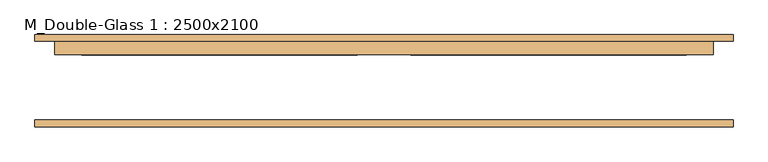
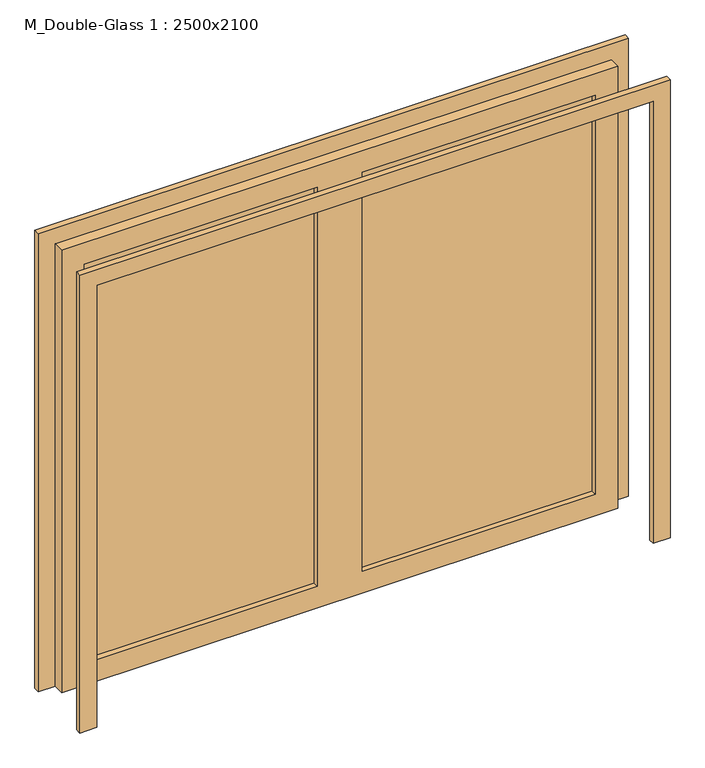
"""IFC4 building model written with IfcOpenShell, lengths in millimetres: door geometry, M_Double-Glass 1 : 2500x2100."""

import ifcopenshell
import ifcopenshell.guid

model = None  # the IFC model being written
_history = None  # IfcOwnerHistory: only IFC2X3 demands one
_inside = {}  # id of a spatial element -> (the spatial element, [elements in it])
_under = {}  # id of a project, library or spatial element -> (it, [spatial elements below it])
_declared = {}  # id of a project -> (the project, [libraries it declares])
_typed = {}  # id of a type object -> (the type object, [elements of that type])
_made_of = {}  # id of a material, layer set ... -> (it, [elements and type objects made of it])


def new_model(schema):
    """Start an empty IFC model of exactly this schema.

    Asked for "IFC4X3", IfcOpenShell would pick the latest addendum, in which some entities
    have other attributes; the version numbers below select the first issue.
    IFC2X3 requires an IfcOwnerHistory on every rooted entity: one is made here for all.
    """
    global model, _history
    if schema == "IFC4X3":
        model = ifcopenshell.file(schema_version=(4, 3, 0, 0))
    else:
        model = ifcopenshell.file(schema=schema)
    _inside.clear()
    _under.clear()
    _declared.clear()
    _typed.clear()
    _made_of.clear()
    _history = None
    if model.schema == "IFC2X3":
        org = make("IfcOrganization", Name="unknown")
        user = make(
            "IfcPersonAndOrganization",
            ThePerson=make("IfcPerson", FamilyName="unknown"),
            TheOrganization=org,
        )
        app = make(
            "IfcApplication",
            ApplicationDeveloper=org,
            Version="unknown",
            ApplicationFullName="unknown",
            ApplicationIdentifier="unknown",
        )
        _history = make(
            "IfcOwnerHistory",
            OwningUser=user,
            OwningApplication=app,
            ChangeAction="ADDED",
            CreationDate=0,
        )
    return model


def make(cls, **values):
    """One entity of the class cls with the attributes given. An attribute that is None is left unset."""
    return model.create_entity(
        cls, **{name: value for name, value in values.items() if value is not None}
    )


def rooted(cls, **values):
    """An entity with a GlobalId (a new one), such as an element, a storey or a relation."""
    return make(cls, GlobalId=ifcopenshell.guid.new(), OwnerHistory=_history, **values)


def si_unit(unit_type, name, prefix=None):
    """IfcSIUnit, for example si_unit("LENGTHUNIT", "METRE", prefix="MILLI")."""
    return make("IfcSIUnit", UnitType=unit_type, Prefix=prefix, Name=name)


def assignment(units):
    """IfcUnitAssignment: the units of a project."""
    return None if units is None else make("IfcUnitAssignment", Units=units)


def point(xyz):
    """IfcCartesianPoint."""
    return None if xyz is None else make("IfcCartesianPoint", Coordinates=xyz)


def direction(xyz):
    """IfcDirection."""
    return None if xyz is None else make("IfcDirection", DirectionRatios=xyz)


def frame(location, z_axis=None, x_axis=None):
    """IfcAxis2Placement3D, a coordinate frame: its origin and axes. An axis left out is left unset."""
    return make(
        "IfcAxis2Placement3D",
        Location=point(location),
        Axis=direction(z_axis),
        RefDirection=direction(x_axis),
    )


def origin():
    """The frame at (0, 0, 0) with its axes left unset."""
    return frame((0.0, 0.0, 0.0))


def place(relative_to, where):
    """IfcLocalPlacement: puts the frame where relative to a parent placement (None: the world)."""
    return make(
        "IfcLocalPlacement", PlacementRelTo=relative_to, RelativePlacement=where
    )


def context(
    kind, dimensions, precision=None, world=None, true_north=None, identifier=None
):
    """IfcGeometricRepresentationContext, for example the 3D "Model" context."""
    return make(
        "IfcGeometricRepresentationContext",
        ContextIdentifier=identifier,
        ContextType=kind,
        CoordinateSpaceDimension=dimensions,
        Precision=precision,
        WorldCoordinateSystem=world,
        TrueNorth=true_north,
    )


def project(units=None, contexts=None):
    """IfcProject with its units and contexts."""
    return rooted(
        "IfcProject",
        Name="project",
        RepresentationContexts=contexts,
        UnitsInContext=assignment(units),
    )


def spatial(cls, under=None, at=None, **own):
    """A site, building, storey or space (cls), placed at a placement, below another one or the project."""
    s = rooted(cls, ObjectPlacement=at, **own)
    if under is not None:
        _under.setdefault(under.id(), (under, []))[1].append(s)
    return s


def polyline(points):
    """IfcPolyline through the points."""
    return make("IfcPolyline", Points=[point(p) for p in points])


def outline(outer, holes=None, kind="AREA"):
    """IfcArbitraryClosedProfileDef: a profile drawn as a closed curve; with holes, ...WithVoids."""
    if holes is None:
        return make("IfcArbitraryClosedProfileDef", ProfileType=kind, OuterCurve=outer)
    return make(
        "IfcArbitraryProfileDefWithVoids",
        ProfileType=kind,
        OuterCurve=outer,
        InnerCurves=holes,
    )


def extrude(swept, where, along, depth):
    """IfcExtrudedAreaSolid: the profile swept, set in the frame where, extruded along a direction by depth."""
    return make(
        "IfcExtrudedAreaSolid",
        SweptArea=swept,
        Position=where,
        ExtrudedDirection=direction(along),
        Depth=depth,
    )


def shape(context_of_items, identifier, shape_type, items):
    """IfcShapeRepresentation: the items that make up one representation, for example the "Body"."""
    return make(
        "IfcShapeRepresentation",
        ContextOfItems=context_of_items,
        RepresentationIdentifier=identifier,
        RepresentationType=shape_type,
        Items=items,
    )


def source(mapping_origin, context_of_items, identifier, shape_type, items):
    """IfcRepresentationMap: a shape defined once, which mapped items show again and again."""
    return make(
        "IfcRepresentationMap",
        MappingOrigin=mapping_origin,
        MappedRepresentation=shape(context_of_items, identifier, shape_type, items),
    )


def transform(
    local_origin,
    x_axis=None,
    y_axis=None,
    z_axis=None,
    scale=None,
    scale2=None,
    scale3=None,
    uniform=True,
):
    """IfcCartesianTransformationOperator3D, or its non-uniform kind. x_axis, y_axis, z_axis: its Axis1, 2, 3."""
    if uniform:
        return make(
            "IfcCartesianTransformationOperator3D",
            Axis1=direction(x_axis),
            Axis2=direction(y_axis),
            LocalOrigin=point(local_origin),
            Scale=scale,
            Axis3=direction(z_axis),
        )
    return make(
        "IfcCartesianTransformationOperator3DnonUniform",
        Axis1=direction(x_axis),
        Axis2=direction(y_axis),
        LocalOrigin=point(local_origin),
        Scale=scale,
        Axis3=direction(z_axis),
        Scale2=scale2,
        Scale3=scale3,
    )


def mapped(mapping_source, mapping_target):
    """IfcMappedItem: shows the shape of a source again, moved by a transform."""
    return make(
        "IfcMappedItem", MappingSource=mapping_source, MappingTarget=mapping_target
    )


def made_of(thing, what):
    """Note that an element or type object is made of a material, layer set ...; save() writes the relation."""
    if what is not None:
        _made_of.setdefault(what.id(), (what, []))[1].append(thing)
    return thing


def element(
    cls,
    number,
    at=None,
    inside=None,
    cuts=None,
    type_object=None,
    material=None,
    context=None,
    identifier="Body",
    shape_type=None,
    held_by="IfcProductDefinitionShape",
    body=None,
    shapes=None,
    **own,
):
    """One element of the class cls, such as IfcWall. Its Tag is "e" and its number.

    at: its placement. inside: the storey or other place that contains it. cuts: it is an
    opening in that element (IfcRelVoidsElement). A single representation is given by context,
    identifier, shape_type and body (its items); several are given by shapes. held_by: the class
    of the entity that holds the representations. save() writes the other relations.
    """
    e = rooted(cls, Tag="e%d" % number, ObjectPlacement=at, **own)
    if body is not None:
        shapes = [shape(context, identifier, shape_type, body)]
    if shapes is not None:
        e.Representation = make(held_by, Representations=shapes)
    if inside is not None:
        _inside.setdefault(inside.id(), (inside, []))[1].append(e)
    if cuts is not None:
        rooted(
            "IfcRelVoidsElement", RelatingBuildingElement=cuts, RelatedOpeningElement=e
        )
    if type_object is not None:
        _typed.setdefault(type_object.id(), (type_object, []))[1].append(e)
    return made_of(e, material)


def aggregate(whole, parts):
    """IfcRelAggregates: a whole, such as a stair, and the parts it consists of."""
    return rooted("IfcRelAggregates", RelatingObject=whole, RelatedObjects=parts)


def save(model, path):
    """Write the relations noted so far, then the file.

    IfcRelAggregates (storeys below a building ...), IfcRelContainedInSpatialStructure (elements
    in a storey), IfcRelDefinesByType, IfcRelAssociatesMaterial and IfcRelDeclares: one each for
    every whole, place, type object, material and project.
    """
    for whole, parts in _under.values():
        aggregate(whole, parts)
    for where, things in _inside.values():
        rooted(
            "IfcRelContainedInSpatialStructure",
            RelatedElements=things,
            RelatingStructure=where,
        )
    for kind, things in _typed.values():
        rooted("IfcRelDefinesByType", RelatedObjects=things, RelatingType=kind)
    for what, things in _made_of.values():
        rooted("IfcRelAssociatesMaterial", RelatedObjects=things, RelatingMaterial=what)
    for by, libraries in _declared.values():
        rooted("IfcRelDeclares", RelatingContext=by, RelatedDefinitions=libraries)
    model.write(path)


def m_double_glass_1_2500x2100_0cdf45d1(model_context):
    return source(origin(), model_context, "Body", "SweptSolid", [
        extrude(outline(polyline([(0.0, 1326.0), (2176.0, 1326.0), (2176.0, -1326.0), (0.0, -1326.0), (0.0, -1250.0), (2100.0, -1250.0), (2100.0, 1250.0), (0.0, 1250.0), (0.0, 1326.0)])), frame((0.0, -172.61875, 0.0), z_axis=(0.0, 1.0, 0.0), x_axis=(0.0, 0.0, 1.0)), (0.0, 0.0, 1.0), 25.0),
        extrude(outline(polyline([(2100.0, 1250.0), (0.0, 1250.0), (0.0, 1326.0), (2176.0, 1326.0), (2176.0, -1326.0), (0.0, -1326.0), (0.0, -1250.0), (2100.0, -1250.0), (2100.0, 1250.0)])), frame((0.0, 152.38125, 0.0), z_axis=(0.0, 1.0, 0.0), x_axis=(0.0, 0.0, 1.0)), (0.0, 0.0, 1.0), 25.0),
        extrude(outline(polyline([(1148.4, 126.98125), (101.6, 126.98125), (101.6, 134.125), (1148.4, 134.125), (1148.4, 126.98125)])), frame((0.0, 0.0, 102.0), z_axis=(0.0, 0.0, 1.0), x_axis=(1.0, 0.0, 0.0)), (0.0, 0.0, 1.0), 1896.0),
        extrude(outline(polyline([(-101.6, 126.98125), (-1148.4, 126.98125), (-1148.4, 134.125), (-101.6, 134.125), (-101.6, 126.98125)])), frame((0.0, 0.0, 102.0), z_axis=(0.0, 0.0, 1.0), x_axis=(1.0, 0.0, 0.0)), (0.0, 0.0, 1.0), 1896.0),
        extrude(outline(polyline([(2100.0, 1250.0), (2100.0, -1250.0), (0.0, -1250.0), (0.0, 1250.0), (2100.0, 1250.0)]), holes=[polyline([(1998.0, -101.6), (102.0, -101.6), (102.0, -1148.4), (1998.0, -1148.4), (1998.0, -101.6)]), polyline([(1998.0, 1148.4), (102.0, 1148.4), (102.0, 101.6), (1998.0, 101.6), (1998.0, 1148.4)])]), frame((0.0, 101.38125, 0.0), z_axis=(0.0, 1.0, 0.0), x_axis=(0.0, 0.0, 1.0)), (0.0, 0.0, 1.0), 51.0),
    ])


if __name__ == "__main__":
    model = new_model("IFC4")
    model_context = context("Model", 3, world=origin())
    ifc_project = project(units=[si_unit("LENGTHUNIT", "METRE", prefix="MILLI")], contexts=[model_context])
    site = spatial("IfcSite", under=ifc_project)
    building = spatial("IfcBuilding", under=site)
    placement = place(None, origin())
    m_double_glass_1_2500x2100_shape = m_double_glass_1_2500x2100_0cdf45d1(model_context)
    element("IfcDoor", 1, ObjectType="M_Double-Glass 1 : 2500x2100", at=placement, inside=building, context=model_context, shape_type="MappedRepresentation", body=[
        mapped(m_double_glass_1_2500x2100_shape, transform((0.0, 0.0, 0.0), x_axis=(1.0, 0.0, 0.0), y_axis=(0.0, 1.0, 0.0), z_axis=(0.0, 0.0, 1.0))),
    ])
    save(model, "model.ifc")
